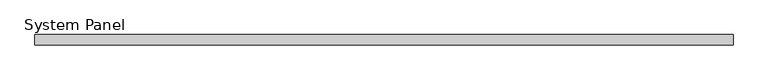
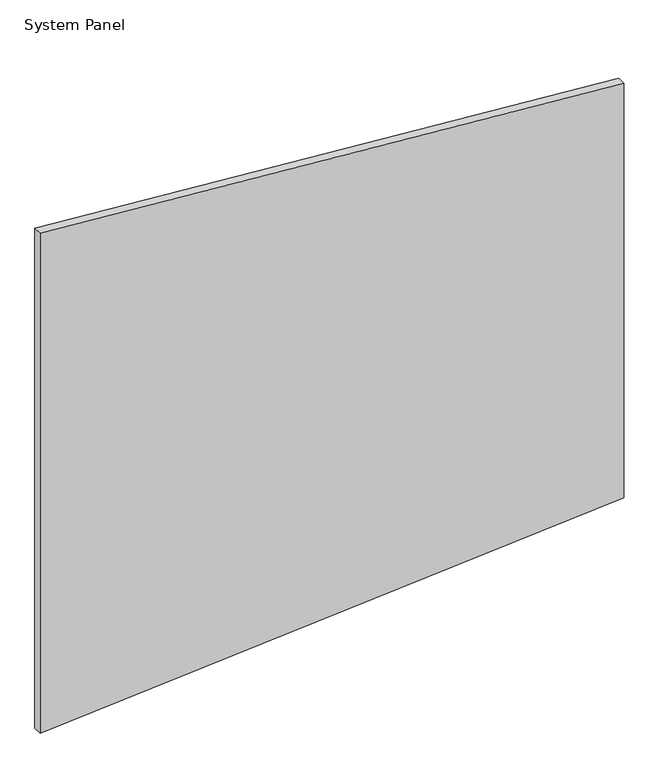
"""IFC4 building model written with IfcOpenShell, lengths in millimetres: plate geometry, System Panel."""

from ifc_helpers import new_model, si_unit, frame, origin, place, context, project, spatial, polyline, outline, extrude, source, transform, mapped, element, save


def system_panel_a9af25cf(model_context):
    return source(origin(), model_context, "Body", "SweptSolid", [
        extrude(outline(polyline([(0.0, -660.9815752), (100.8955476, 660.9815752), (1093.4995112, 660.9815752), (1196.7049338, -660.9815752), (0.0, -660.9815752)])), frame((0.0, -10.0, 0.0), z_axis=(0.0, 1.0, 0.0), x_axis=(0.0, 0.0, 1.0)), (0.0, 0.0, 1.0), 20.0),
    ])


if __name__ == "__main__":
    model = new_model("IFC4")
    model_context = context("Model", 3, world=origin())
    ifc_project = project(units=[si_unit("LENGTHUNIT", "METRE", prefix="MILLI")], contexts=[model_context])
    site = spatial("IfcSite", under=ifc_project)
    building = spatial("IfcBuilding", under=site)
    placement = place(None, origin())
    system_panel_shape = system_panel_a9af25cf(model_context)
    element("IfcPlate", 1, ObjectType="System Panel", at=placement, inside=building, context=model_context, shape_type="MappedRepresentation", body=[
        mapped(system_panel_shape, transform((0.0, 0.0, 0.0), x_axis=(1.0, 0.0, 0.0), y_axis=(0.0, 1.0, 0.0), z_axis=(0.0, 0.0, 1.0))),
    ])
    save(model, "model.ifc")
